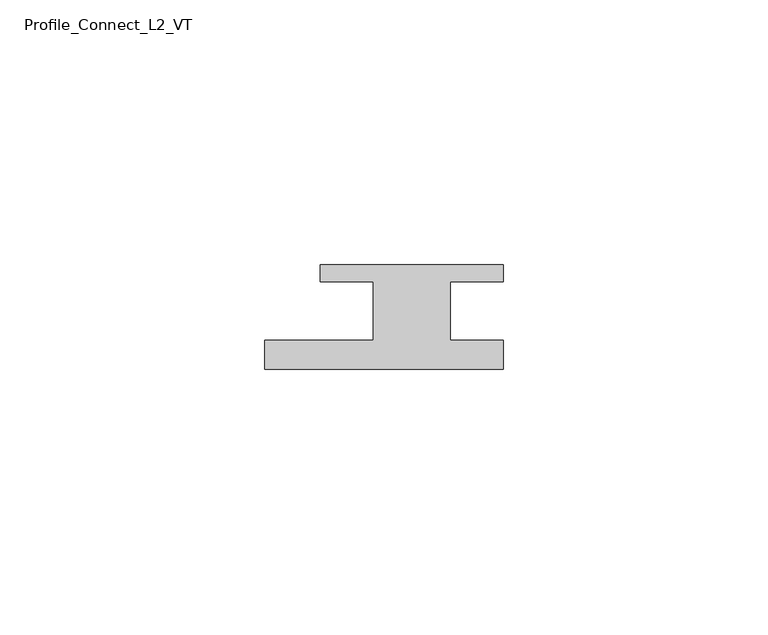
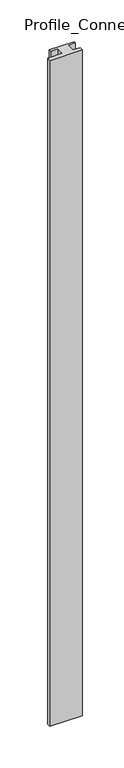
"""IFC4 building model written with IfcOpenShell, lengths in millimetres: member geometry, Profile_Connect_L2_VT."""

from ifc_helpers import new_model, si_unit, frame, origin, place, context, project, spatial, polyline, outline, extrude, source, transform, mapped, element, save


def profile_connect_l2_vt_f0f321b9(model_context):
    return source(origin(), model_context, "Body", "SweptSolid", [
        extrude(outline(polyline([(-28.9, -5.5), (-8.4, -5.5), (-8.4, 5.5), (-18.4, 5.5), (-18.4, 8.7), (16.1, 8.7), (16.1, 5.5), (6.1, 5.5), (6.1, -5.5), (16.1, -5.5), (16.1, -11.0), (-28.9, -11.0), (-28.9, -5.5)])), frame((0.0, 0.0, -975.5), z_axis=(0.0, 0.0, 1.0), x_axis=(1.0, 0.0, 0.0)), (0.0, 0.0, 1.0), 975.5),
    ])


if __name__ == "__main__":
    model = new_model("IFC4")
    model_context = context("Model", 3, world=origin())
    ifc_project = project(units=[si_unit("LENGTHUNIT", "METRE", prefix="MILLI")], contexts=[model_context])
    site = spatial("IfcSite", under=ifc_project)
    building = spatial("IfcBuilding", under=site)
    placement = place(None, origin())
    profile_connect_l2_vt_shape = profile_connect_l2_vt_f0f321b9(model_context)
    element("IfcMember", 1, ObjectType="Profile_Connect_L2_VT", at=placement, inside=building, context=model_context, shape_type="MappedRepresentation", body=[
        mapped(profile_connect_l2_vt_shape, transform((0.0, 0.0, 0.0), x_axis=(1.0, 0.0, 0.0), y_axis=(0.0, 1.0, 0.0), z_axis=(0.0, 0.0, 1.0))),
    ])
    save(model, "model.ifc")
